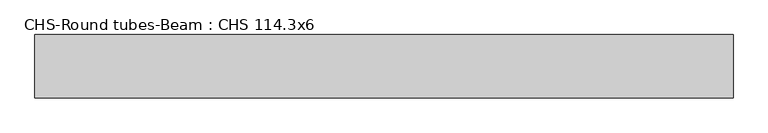
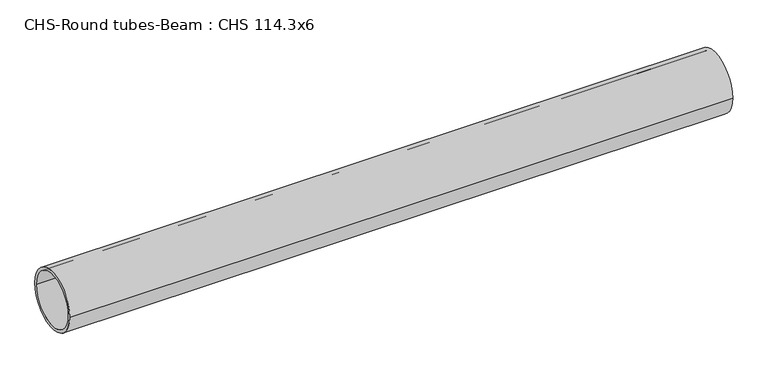
"""IFC4 building model written with IfcOpenShell, lengths in millimetres: beam geometry, CHS-Round tubes-Beam : CHS 114.3x6."""

from ifc_helpers import new_model, si_unit, point, frame, origin, origin_2d, place, context, project, spatial, circle_curve, trimmed, segment, composite_curve, outline, extrude, source, transform, mapped, element, save


def chs_round_tubes_beam_chs_114_3x6_fa07a96c(model_context):
    return source(origin(), model_context, "Body", "SweptSolid", [
        extrude(outline(composite_curve([segment(trimmed(circle_curve(origin_2d(), 57.15), [point((57.15, 0.0))], [point((-57.15, 0.0))], False, "CARTESIAN"), True, "CONTINUOUS"), segment(trimmed(circle_curve(origin_2d(), 57.15), [point((-57.15, 0.0))], [point((57.15, 0.0))], False, "CARTESIAN"), True, "CONTINUOUS")], self_intersect=False), holes=[composite_curve([segment(trimmed(circle_curve(origin_2d(), 51.15), [point((51.15, 0.0))], [point((-51.15, 0.0))], True, "CARTESIAN"), True, "CONTINUOUS"), segment(trimmed(circle_curve(origin_2d(), 51.15), [point((-51.15, 0.0))], [point((51.15, 0.0))], True, "CARTESIAN"), True, "CONTINUOUS")], self_intersect=False)]), frame((-627.8621356, 0.0, 0.0), z_axis=(1.0, 0.0, 0.0), x_axis=(0.0, 1.0, 0.0)), (0.0, 0.0, 1.0), 1255.7246785),
    ])


if __name__ == "__main__":
    model = new_model("IFC4")
    model_context = context("Model", 3, world=origin())
    ifc_project = project(units=[si_unit("LENGTHUNIT", "METRE", prefix="MILLI")], contexts=[model_context])
    site = spatial("IfcSite", under=ifc_project)
    building = spatial("IfcBuilding", under=site)
    placement = place(None, origin())
    chs_round_tubes_beam_chs_114_3x6_shape = chs_round_tubes_beam_chs_114_3x6_fa07a96c(model_context)
    element("IfcBeam", 1, ObjectType="CHS-Round tubes-Beam : CHS 114.3x6", at=placement, inside=building, context=model_context, shape_type="MappedRepresentation", body=[
        mapped(chs_round_tubes_beam_chs_114_3x6_shape, transform((0.0, 0.0, 0.0), x_axis=(1.0, 0.0, 0.0), y_axis=(0.0, 1.0, 0.0), z_axis=(0.0, 0.0, 1.0))),
    ])
    save(model, "model.ifc")
